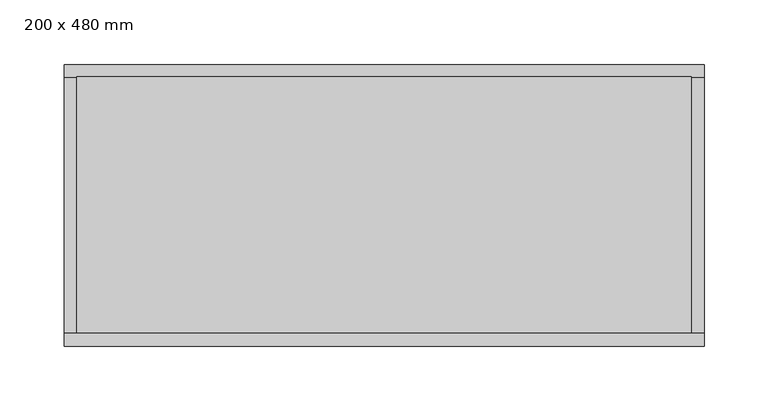
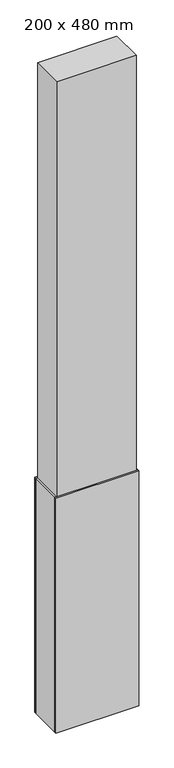
"""IFC4 building model written with IfcOpenShell, lengths in millimetres: column geometry, 200 x 480 mm."""

from ifc_helpers import new_model, si_unit, frame, origin, place, context, project, spatial, polyline, outline, extrude, source, transform, mapped, element, save


def column_200_x_480_mm_abc6f94c(model_context):
    return source(origin(), model_context, "Body", "SweptSolid", [
        extrude(outline(polyline([(240.0, 100.0), (240.0, -100.0), (-240.0, -100.0), (-240.0, 100.0), (240.0, 100.0)])), frame((0.0, 0.0, -650.0), z_axis=(0.0, 0.0, 1.0), x_axis=(1.0, 0.0, 0.0)), (0.0, 0.0, 1.0), 4150.0),
        extrude(outline(polyline([(250.0, -110.0), (-250.0, -110.0), (-250.0, -100.0), (250.0, -100.0), (250.0, -110.0)])), frame((0.0, 0.0, -650.0), z_axis=(0.0, 0.0, 1.0), x_axis=(1.0, 0.0, 0.0)), (0.0, 0.0, 1.0), 1500.0),
        extrude(outline(polyline([(250.0, 100.0), (-250.0, 100.0), (-250.0, 110.0), (250.0, 110.0), (250.0, 100.0)])), frame((0.0, 0.0, -650.0), z_axis=(0.0, 0.0, 1.0), x_axis=(1.0, 0.0, 0.0)), (0.0, 0.0, 1.0), 1500.0),
        extrude(outline(polyline([(-240.0, 100.0), (-240.0, -100.0), (-250.0, -100.0), (-250.0, 100.0), (-240.0, 100.0)])), frame((0.0, 0.0, -650.0), z_axis=(0.0, 0.0, 1.0), x_axis=(1.0, 0.0, 0.0)), (0.0, 0.0, 1.0), 1500.0),
        extrude(outline(polyline([(250.0, 100.0), (250.0, -100.0), (240.0, -100.0), (240.0, 100.0), (250.0, 100.0)])), frame((0.0, 0.0, -650.0), z_axis=(0.0, 0.0, 1.0), x_axis=(1.0, 0.0, 0.0)), (0.0, 0.0, 1.0), 1500.0),
    ])


if __name__ == "__main__":
    model = new_model("IFC4")
    model_context = context("Model", 3, world=origin())
    ifc_project = project(units=[si_unit("LENGTHUNIT", "METRE", prefix="MILLI")], contexts=[model_context])
    site = spatial("IfcSite", under=ifc_project)
    building = spatial("IfcBuilding", under=site)
    placement = place(None, origin())
    column_200_x_480_mm_shape = column_200_x_480_mm_abc6f94c(model_context)
    element("IfcColumn", 1, ObjectType="200 x 480 mm", at=placement, inside=building, context=model_context, shape_type="MappedRepresentation", body=[
        mapped(column_200_x_480_mm_shape, transform((0.0, 0.0, 0.0), x_axis=(1.0, 0.0, 0.0), y_axis=(0.0, 1.0, 0.0), z_axis=(0.0, 0.0, 1.0))),
    ])
    save(model, "model.ifc")
